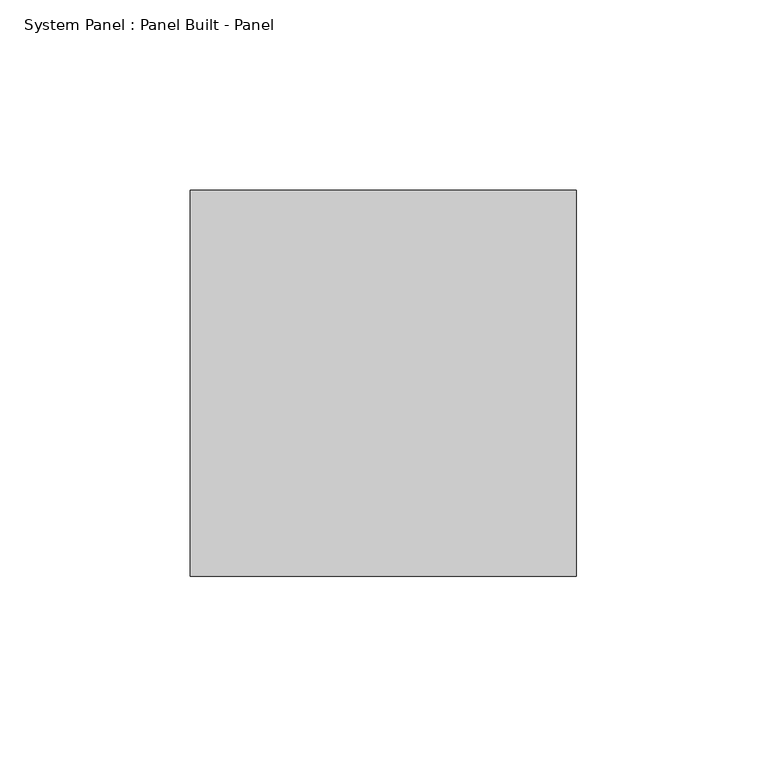
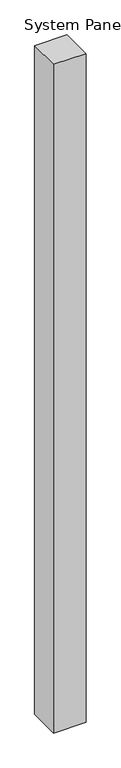
"""IFC4 building model written with IfcOpenShell, lengths in millimetres: plate geometry, System Panel : Panel Built - Panel."""

from ifc_helpers import new_model, si_unit, origin, origin_with_axes, place, context, project, spatial, polyline, outline, extrude, source, transform, mapped, element, save


def system_panel_panel_built_panel_2d1179d9(model_context):
    return source(origin(), model_context, "Body", "SweptSolid", [
        extrude(outline(polyline([(50.8, -50.8), (-50.8, -50.8), (-50.8, 50.8), (50.8, 50.8), (50.8, -50.8)])), origin_with_axes(), (0.0, 0.0, 1.0), 2209.8),
    ])


if __name__ == "__main__":
    model = new_model("IFC4")
    model_context = context("Model", 3, world=origin())
    ifc_project = project(units=[si_unit("LENGTHUNIT", "METRE", prefix="MILLI")], contexts=[model_context])
    site = spatial("IfcSite", under=ifc_project)
    building = spatial("IfcBuilding", under=site)
    placement = place(None, origin())
    system_panel_panel_built_panel_shape = system_panel_panel_built_panel_2d1179d9(model_context)
    element("IfcPlate", 1, ObjectType="System Panel : Panel Built - Panel", at=placement, inside=building, context=model_context, shape_type="MappedRepresentation", body=[
        mapped(system_panel_panel_built_panel_shape, transform((0.0, 0.0, 0.0), x_axis=(1.0, 0.0, 0.0), y_axis=(0.0, 1.0, 0.0), z_axis=(0.0, 0.0, 1.0))),
    ])
    save(model, "model.ifc")
